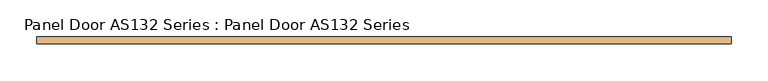
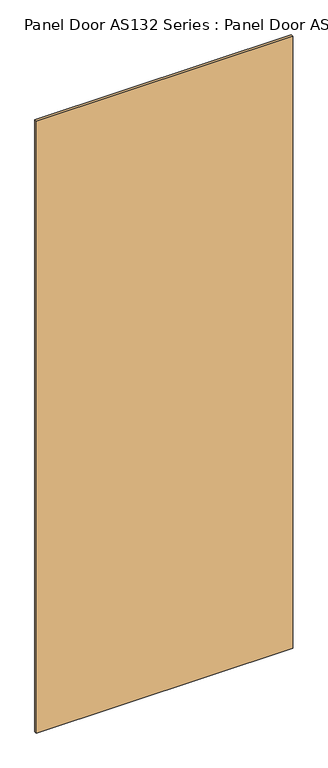
"""IFC4 building model written with IfcOpenShell, lengths in millimetres: door geometry, Panel Door AS132 Series : Panel Door AS132 Series."""

from ifc_helpers import new_model, si_unit, frame, origin, place, context, project, spatial, polyline, outline, extrude, source, transform, mapped, element, save


def panel_door_as132_series_panel_door_as132_series_c121410f(model_context):
    return source(origin(), model_context, "Body", "SweptSolid", [
        extrude(outline(polyline([(474.9581994, 5.0), (474.9581994, -5.0), (-474.9581994, -5.0), (-474.9581994, 5.0), (474.9581994, 5.0)])), frame((0.0, 0.0, 1.5559478), z_axis=(0.0, 0.0, 1.0), x_axis=(1.0, 0.0, 0.0)), (0.0, 0.0, 1.0), 2397.1707403),
    ])


if __name__ == "__main__":
    model = new_model("IFC4")
    model_context = context("Model", 3, world=origin())
    ifc_project = project(units=[si_unit("LENGTHUNIT", "METRE", prefix="MILLI")], contexts=[model_context])
    site = spatial("IfcSite", under=ifc_project)
    building = spatial("IfcBuilding", under=site)
    placement = place(None, origin())
    panel_door_as132_series_panel_door_as132_series_shape = panel_door_as132_series_panel_door_as132_series_c121410f(model_context)
    element("IfcDoor", 1, ObjectType="Panel Door AS132 Series : Panel Door AS132 Series", at=placement, inside=building, context=model_context, shape_type="MappedRepresentation", body=[
        mapped(panel_door_as132_series_panel_door_as132_series_shape, transform((0.0, 0.0, 0.0), x_axis=(1.0, 0.0, 0.0), y_axis=(0.0, 1.0, 0.0), z_axis=(0.0, 0.0, 1.0))),
    ])
    save(model, "model.ifc")
